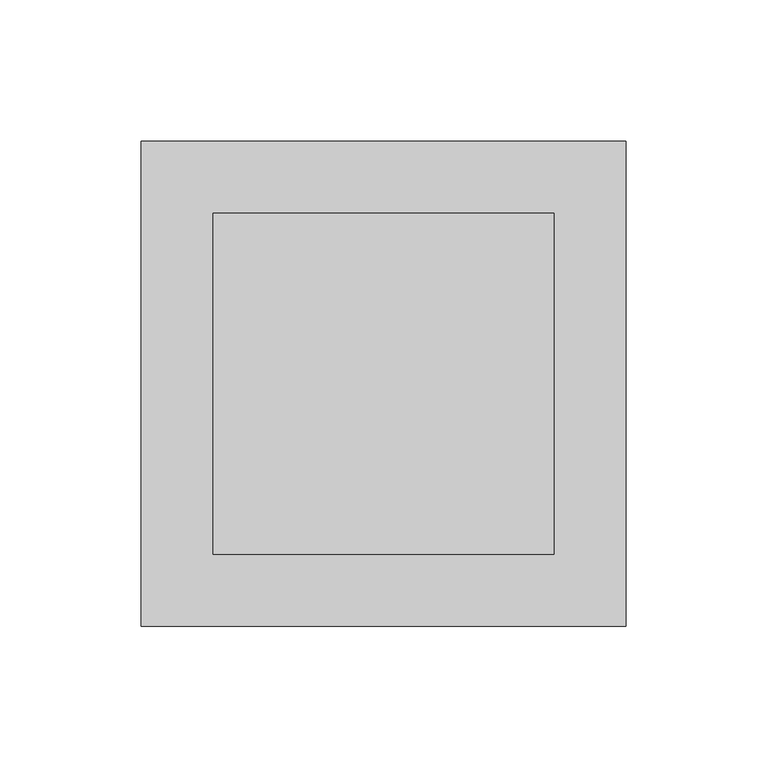
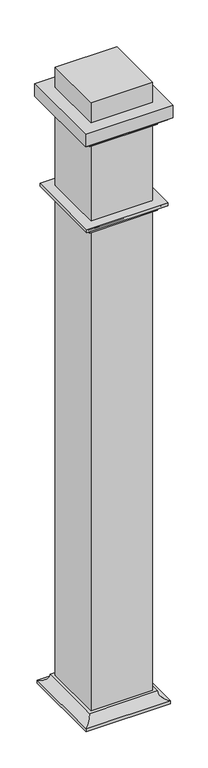
"""IFC4 building model written with IfcOpenShell, lengths in millimetres: railing geometry."""

from ifc_helpers import new_model, si_unit, frame, origin, place, context, project, spatial, polyline, ellipse_curve, outline, extrude, faceted_brep, source, transform, mapped, element, save
from ifc_brep_helpers import plane_surface, revolved_surface, advanced_brep


def railing_bbaedd97(model_context):
    return source(origin(), model_context, "Body", "SolidModel", [
        extrude(outline(polyline([(-18329.4634928, -2191.591536), (-18329.4634928, -2070.941536), (-18208.8134928, -2070.941536), (-18208.8134928, -2191.591536), (-18329.4634928, -2191.591536)])), frame((0.0, 0.0, 262.6022801), z_axis=(0.0, 0.0, 1.0), x_axis=(1.0, 0.0, 0.0)), (0.0, 0.0, 1.0), 1278.3310532),
        extrude(outline(polyline([(-18183.4134928, -2216.991536), (-18354.8634928, -2216.991536), (-18354.8634928, -2045.541536), (-18183.4134928, -2045.541536), (-18183.4134928, -2216.991536)]), holes=[polyline([(-18208.8134928, -2070.941536), (-18329.4634928, -2070.941536), (-18329.4634928, -2191.591536), (-18208.8134928, -2191.591536), (-18208.8134928, -2070.941536)])]), frame((0.0, 0.0, 1474.2583333), z_axis=(0.0, 0.0, 1.0), x_axis=(1.0, 0.0, 0.0)), (0.0, 0.0, 1.0), 25.4),
        advanced_brep(
        [(-18208.8134928, -2191.591536, 262.6022801), (-18208.8134928, -2191.591536, 284.8272801), (-18208.8134928, -2070.941536, 284.8272801), (-18208.8134928, -2070.941536, 262.6022801), (-18186.5884928, -2213.816536, 268.9522801), (-18186.5884928, -2213.816536, 262.6022801), (-18186.5884928, -2048.716536, 262.6022801), (-18186.5884928, -2048.716536, 268.9522801), (-18202.4634928, -2197.941536, 284.8272801), (-18202.4634928, -2064.591536, 284.8272801), (-18329.4634928, -2070.941536, 284.8272801), (-18329.4634928, -2070.941536, 262.6022801), (-18351.6884928, -2048.716536, 262.6022801), (-18351.6884928, -2048.716536, 268.9522801), (-18335.8134928, -2064.591536, 284.8272801), (-18329.4634928, -2191.591536, 284.8272801), (-18329.4634928, -2191.591536, 262.6022801), (-18351.6884928, -2213.816536, 262.6022801), (-18351.6884928, -2213.816536, 268.9522801), (-18335.8134928, -2197.941536, 284.8272801)],
        [
            (0, 1),
            (1, 2),
            (2, 3),
            (3, 0),
            (4, 5),
            (5, 6),
            (6, 7),
            (7, 4),
            (8, 4, ellipse_curve(frame((-18186.5884928, -2213.816536, 284.8272801), z_axis=(-0.7071067811865475, -0.7071067811865475, 0.0), x_axis=(-0.7071067811865474, 0.7071067811865476, 0.0)), 22.4506403, 15.875)),
            (7, 9, ellipse_curve(frame((-18186.5884928, -2048.716536, 284.8272801), z_axis=(-0.7071067811865475, 0.7071067811865475, 0.0), x_axis=(0.7071067811865474, 0.7071067811865476, 0.0)), 22.4506403, 15.875)),
            (9, 8),
            (2, 10),
            (10, 11),
            (11, 3),
            (6, 12),
            (12, 13),
            (13, 7),
            (13, 14, ellipse_curve(frame((-18351.6884928, -2048.716536, 284.8272801), z_axis=(-0.7071067811865475, -0.7071067811865475, 0.0), x_axis=(-0.7071067811865476, 0.7071067811865474, 0.0)), 22.4506403, 15.875)),
            (14, 9),
            (10, 15),
            (15, 16),
            (16, 11),
            (12, 17),
            (17, 18),
            (18, 13),
            (18, 19, ellipse_curve(frame((-18351.6884928, -2213.816536, 284.8272801), z_axis=(0.7071067811865475, -0.7071067811865475, 0.0), x_axis=(-0.7071067811865474, -0.7071067811865476, 0.0)), 22.4506403, 15.875)),
            (19, 14),
            (15, 1),
            (0, 16),
            (5, 17),
            (4, 18),
            (8, 19),
        ],
        [
            plane_surface(frame((-18208.8134928, -2191.591536, 284.8272801), z_axis=(-1.0, 0.0, 0.0), x_axis=(0.0, 1.0, 0.0))),
            plane_surface(frame((-18186.5884928, -2213.816536, 262.6022801), z_axis=(1.0, 0.0, 0.0), x_axis=(0.0, 1.0, 0.0))),
            revolved_surface(polyline([(-18202.4634928, -2032.8415360018898, 284.8272801), (-18202.4634928, -2229.69153599811, 284.8272801)]), (-18186.5884928, -2191.591536, 284.8272801), (0.0, 1.0, 0.0)),
            plane_surface(frame((-18208.8134928, -2070.941536, 284.8272801), z_axis=(0.0, -1.0, 0.0), x_axis=(-1.0, 0.0, 0.0))),
            plane_surface(frame((-18186.5884928, -2048.716536, 262.6022801), z_axis=(0.0, 1.0, 0.0), x_axis=(-1.0, 0.0, 0.0))),
            revolved_surface(polyline([(-18367.56349279811, -2064.591536, 284.8272801), (-18170.713492801893, -2064.591536, 284.8272801)]), (-18208.8134928, -2048.716536, 284.8272801), (-1.0, 0.0, 0.0)),
            plane_surface(frame((-18329.4634928, -2070.941536, 284.8272801), z_axis=(1.0, 0.0, 0.0), x_axis=(0.0, -1.0, 0.0))),
            plane_surface(frame((-18351.6884928, -2048.716536, 262.6022801), z_axis=(-1.0, 0.0, 0.0), x_axis=(0.0, -1.0, 0.0))),
            revolved_surface(polyline([(-18335.8134928, -2229.69153599811, 284.8272801), (-18335.8134928, -2032.8415360018898, 284.8272801)]), (-18351.6884928, -2070.941536, 284.8272801), (0.0, -1.0, 0.0)),
            plane_surface(frame((-18329.4634928, -2191.591536, 284.8272801), z_axis=(0.0, 1.0, 0.0), x_axis=(1.0, 0.0, 0.0))),
            plane_surface(frame((-18329.4634928, -2191.591536, 262.6022801), z_axis=(0.0, 0.0, -1.0), x_axis=(1.0, 0.0, 0.0))),
            plane_surface(frame((-18351.6884928, -2213.816536, 262.6022801), z_axis=(0.0, -1.0, 0.0), x_axis=(1.0, 0.0, 0.0))),
            revolved_surface(polyline([(-18170.713492801893, -2197.941536, 284.8272801), (-18367.56349279811, -2197.941536, 284.8272801)]), (-18329.4634928, -2213.816536, 284.8272801), (1.0, 0.0, 0.0)),
            plane_surface(frame((-18335.8134928, -2197.941536, 284.8272801), z_axis=(0.0, 0.0, 1.0), x_axis=(1.0, 0.0, 0.0))),
        ],
        [
            (0, [[1, 2, 3, 4]]),
            (1, [[5, 6, 7, 8]]),
            (2, [[9, -8, 10, 11]]),
            (3, [[-3, 12, 13, 14]]),
            (4, [[-7, 15, 16, 17]]),
            (5, [[-10, -17, 18, 19]]),
            (6, [[-13, 20, 21, 22]]),
            (7, [[-16, 23, 24, 25]]),
            (8, [[-18, -25, 26, 27]]),
            (9, [[-21, 28, -1, 29]]),
            (10, [[30, -23, -15, -6], [-14, -22, -29, -4]]),
            (11, [[-24, -30, -5, 31]]),
            (12, [[-26, -31, -9, 32]]),
            (13, [[-19, -27, -32, -11], [-28, -20, -12, -2]]),
        ],
    ),
        advanced_brep(
        [(-18208.8134928, -2191.591536, 1277.4083333), (-18208.8134928, -2191.591536, 1296.4583333), (-18208.8134928, -2070.941536, 1296.4583333), (-18208.8134928, -2070.941536, 1277.4083333), (-18189.7634928, -2210.641536, 1290.1083333), (-18202.4634928, -2197.941536, 1277.4083333), (-18202.4634928, -2064.591536, 1277.4083333), (-18189.7634928, -2051.891536, 1290.1083333), (-18189.7634928, -2210.641536, 1296.4583333), (-18189.7634928, -2051.891536, 1296.4583333), (-18329.4634928, -2070.941536, 1296.4583333), (-18329.4634928, -2070.941536, 1277.4083333), (-18335.8134928, -2064.591536, 1277.4083333), (-18348.5134928, -2051.891536, 1290.1083333), (-18348.5134928, -2051.891536, 1296.4583333), (-18329.4634928, -2191.591536, 1296.4583333), (-18329.4634928, -2191.591536, 1277.4083333), (-18335.8134928, -2197.941536, 1277.4083333), (-18348.5134928, -2210.641536, 1290.1083333), (-18348.5134928, -2210.641536, 1296.4583333)],
        [
            (0, 1),
            (1, 2),
            (2, 3),
            (3, 0),
            (4, 5, ellipse_curve(frame((-18189.7634928, -2210.641536, 1277.4083333), z_axis=(-0.7071067811865475, -0.7071067811865475, 0.0), x_axis=(-0.7071067811865474, 0.7071067811865476, 0.0)), 17.9605122, 12.7)),
            (5, 6),
            (6, 7, ellipse_curve(frame((-18189.7634928, -2051.891536, 1277.4083333), z_axis=(-0.7071067811865475, 0.7071067811865475, 0.0), x_axis=(0.7071067811865474, 0.7071067811865476, 0.0)), 17.9605122, 12.7)),
            (7, 4),
            (8, 4),
            (7, 9),
            (9, 8),
            (2, 10),
            (10, 11),
            (11, 3),
            (6, 12),
            (12, 13, ellipse_curve(frame((-18348.5134928, -2051.891536, 1277.4083333), z_axis=(-0.7071067811865475, -0.7071067811865475, 0.0), x_axis=(-0.7071067811865476, 0.7071067811865474, 0.0)), 17.9605122, 12.7)),
            (13, 7),
            (13, 14),
            (14, 9),
            (10, 15),
            (15, 16),
            (16, 11),
            (12, 17),
            (17, 18, ellipse_curve(frame((-18348.5134928, -2210.641536, 1277.4083333), z_axis=(0.7071067811865475, -0.7071067811865475, 0.0), x_axis=(-0.7071067811865474, -0.7071067811865476, 0.0)), 17.9605122, 12.7)),
            (18, 13),
            (18, 19),
            (19, 14),
            (19, 8),
            (1, 15),
            (0, 16),
            (5, 17),
            (4, 18),
        ],
        [
            plane_surface(frame((-18208.8134928, -2191.591536, 1296.4583333), z_axis=(-1.0, 0.0, 0.0), x_axis=(0.0, 1.0, 0.0))),
            revolved_surface(polyline([(-18202.4634928, -2039.1915360297965, 1277.4083333), (-18202.4634928, -2223.341535970204, 1277.4083333)]), (-18189.7634928, -2191.591536, 1277.4083333), (0.0, 1.0, 0.0)),
            plane_surface(frame((-18189.7634928, -2210.641536, 1290.1083333), z_axis=(1.0, 0.0, 0.0), x_axis=(0.0, 1.0, 0.0))),
            plane_surface(frame((-18208.8134928, -2070.941536, 1296.4583333), z_axis=(0.0, -1.0, 0.0), x_axis=(-1.0, 0.0, 0.0))),
            revolved_surface(polyline([(-18361.213492770203, -2064.591536, 1277.4083333), (-18177.0634928298, -2064.591536, 1277.4083333)]), (-18208.8134928, -2051.891536, 1277.4083333), (-1.0, 0.0, 0.0)),
            plane_surface(frame((-18189.7634928, -2051.891536, 1290.1083333), z_axis=(0.0, 1.0, 0.0), x_axis=(-1.0, 0.0, 0.0))),
            plane_surface(frame((-18329.4634928, -2070.941536, 1296.4583333), z_axis=(1.0, 0.0, 0.0), x_axis=(0.0, -1.0, 0.0))),
            revolved_surface(polyline([(-18335.8134928, -2223.341535970204, 1277.4083333), (-18335.8134928, -2039.1915360297965, 1277.4083333)]), (-18348.5134928, -2070.941536, 1277.4083333), (0.0, -1.0, 0.0)),
            plane_surface(frame((-18348.5134928, -2051.891536, 1290.1083333), z_axis=(-1.0, 0.0, 0.0), x_axis=(0.0, -1.0, 0.0))),
            plane_surface(frame((-18348.5134928, -2210.641536, 1296.4583333), z_axis=(0.0, 0.0, 1.0), x_axis=(1.0, 0.0, 0.0))),
            plane_surface(frame((-18329.4634928, -2191.591536, 1296.4583333), z_axis=(0.0, 1.0, 0.0), x_axis=(1.0, 0.0, 0.0))),
            plane_surface(frame((-18329.4634928, -2191.591536, 1277.4083333), z_axis=(0.0, 0.0, -1.0), x_axis=(1.0, 0.0, 0.0))),
            revolved_surface(polyline([(-18177.0634928298, -2197.9415360000003, 1277.4083333), (-18361.213492770203, -2197.9415360000003, 1277.4083333)]), (-18329.4634928, -2210.641536, 1277.4083333), (1.0, 0.0, 0.0)),
            plane_surface(frame((-18348.5134928, -2210.641536, 1290.1083333), z_axis=(0.0, -1.0, 0.0), x_axis=(1.0, 0.0, 0.0))),
        ],
        [
            (0, [[1, 2, 3, 4]]),
            (1, [[5, 6, 7, 8]]),
            (2, [[9, -8, 10, 11]]),
            (3, [[-3, 12, 13, 14]]),
            (4, [[-7, 15, 16, 17]]),
            (5, [[-10, -17, 18, 19]]),
            (6, [[-13, 20, 21, 22]]),
            (7, [[-16, 23, 24, 25]]),
            (8, [[-18, -25, 26, 27]]),
            (9, [[-19, -27, 28, -11], [29, -20, -12, -2]]),
            (10, [[-21, -29, -1, 30]]),
            (11, [[31, -23, -15, -6], [-14, -22, -30, -4]]),
            (12, [[-24, -31, -5, 32]]),
            (13, [[-26, -32, -9, -28]]),
        ],
    ),
        faceted_brep([(-18208.8134928, -2191.591536, 1455.2083333), (-18208.8134928, -2191.591536, 1474.2583333), (-18208.8134928, -2070.941536, 1474.2583333), (-18208.8134928, -2070.941536, 1455.2083333), (-18202.4634928, -2197.941536, 1467.9083333), (-18202.4634928, -2197.941536, 1455.2083333), (-18202.4634928, -2064.591536, 1455.2083333), (-18202.4634928, -2064.591536, 1467.9083333), (-18189.7634928, -2210.641536, 1474.2583333), (-18189.7634928, -2210.641536, 1467.9083333), (-18189.7634928, -2051.891536, 1467.9083333), (-18189.7634928, -2051.891536, 1474.2583333), (-18329.4634928, -2070.941536, 1474.2583333), (-18329.4634928, -2070.941536, 1455.2083333), (-18335.8134928, -2064.591536, 1455.2083333), (-18335.8134928, -2064.591536, 1467.9083333), (-18348.5134928, -2051.891536, 1467.9083333), (-18348.5134928, -2051.891536, 1474.2583333), (-18329.4634928, -2191.591536, 1474.2583333), (-18329.4634928, -2191.591536, 1455.2083333), (-18335.8134928, -2197.941536, 1455.2083333), (-18335.8134928, -2197.941536, 1467.9083333), (-18348.5134928, -2210.641536, 1467.9083333), (-18348.5134928, -2210.641536, 1474.2583333)], [[[0, 1, 2, 3]], [[4, 5, 6, 7]], [[8, 9, 10, 11]], [[3, 2, 12, 13]], [[7, 6, 14, 15]], [[11, 10, 16, 17]], [[13, 12, 18, 19]], [[15, 14, 20, 21]], [[17, 16, 22, 23]], [[19, 18, 1, 0]], [[5, 20, 14, 6], [3, 13, 19, 0]], [[21, 20, 5, 4]], [[9, 22, 16, 10], [7, 15, 21, 4]], [[23, 22, 9, 8]], [[11, 17, 23, 8], [1, 18, 12, 2]]]),
    ])


if __name__ == "__main__":
    model = new_model("IFC4")
    model_context = context("Model", 3, world=origin())
    ifc_project = project(units=[si_unit("LENGTHUNIT", "METRE", prefix="MILLI")], contexts=[model_context])
    site = spatial("IfcSite", under=ifc_project)
    building = spatial("IfcBuilding", under=site)
    placement = place(None, origin())
    railing_shape = railing_bbaedd97(model_context)
    element("IfcRailing", 1, at=placement, inside=building, context=model_context, shape_type="MappedRepresentation", body=[
        mapped(railing_shape, transform((0.0, 0.0, 0.0), x_axis=(1.0, 0.0, 0.0), y_axis=(0.0, 1.0, 0.0), z_axis=(0.0, 0.0, 1.0))),
    ])
    save(model, "model.ifc")
